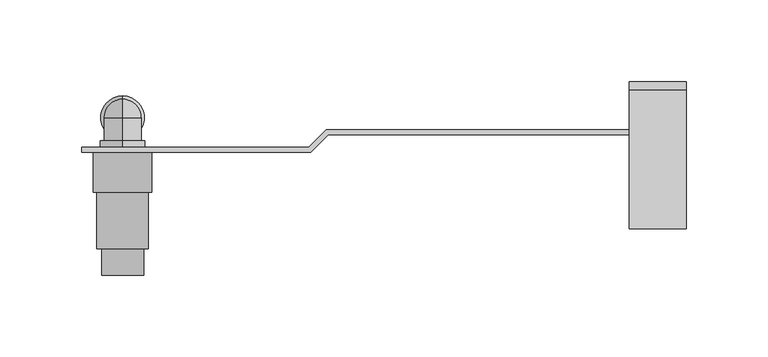
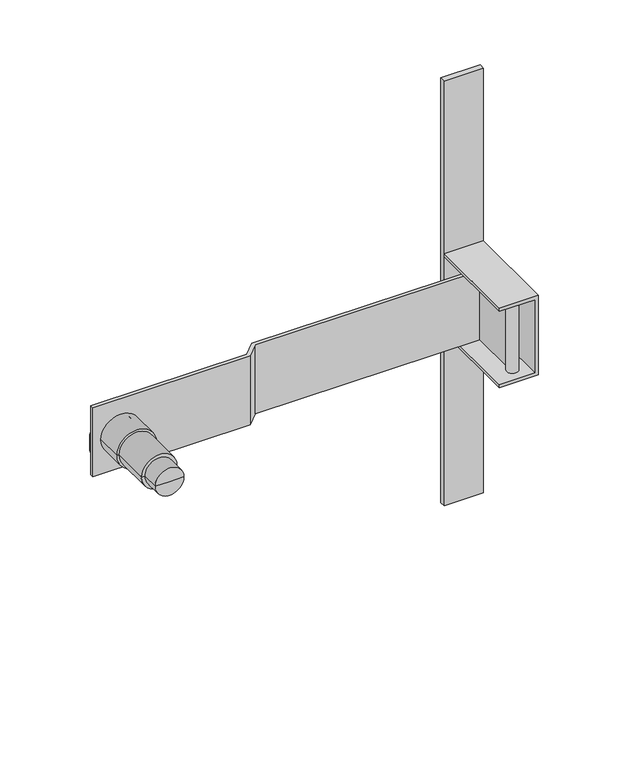
"""IFC4 building model written with IfcOpenShell, lengths in millimetres: proxy geometry."""

from ifc_helpers import new_model, si_unit, point, frame, frame_2d, origin, place, context, project, spatial, polyline, circle_curve, ellipse_curve, trimmed, segment, composite_curve, outline, extrude, source, transform, mapped, element, save
from ifc_brep_helpers import plane_surface, cylinder_surface, revolved_surface, advanced_brep


def building_element_proxy_a38c002e(model_context):
    return source(origin(), model_context, "Body", "SolidModel", [
        advanced_brep(
        [(-327.5, -10.7, 0.0), (-327.5, -22.0, 11.3), (-327.5, -22.0, -11.3), (-327.5, -36.0, 11.3), (-327.5, -36.0, -11.3), (-327.5, -36.0, 13.8), (-327.5, -36.0, -13.8), (-327.5, -40.0, 13.8), (-327.5, -40.0, -13.8), (-327.5, -40.0, 11.3), (-327.5, -40.0, -11.3), (-327.5, -66.9746503, 11.3), (-327.5, -66.9746503, -11.3), (-327.5, -66.9746503, 0.0)],
        [
            (0, 1, circle_curve(frame((-327.5, -22.0, 0.0), z_axis=(1.0, 0.0, 0.0), x_axis=(0.0, 0.0, 1.0)), 11.3)),
            (1, 2, circle_curve(frame((-327.5, -22.0, 0.0), z_axis=(0.0, 1.0, 0.0), x_axis=(0.0, 0.0, 1.0)), 11.3)),
            (2, 0, circle_curve(frame((-327.5, -22.0, 0.0), z_axis=(1.0, 0.0, 0.0), x_axis=(0.0, 0.0, -1.0)), 11.3)),
            (2, 1, circle_curve(frame((-327.5, -22.0, 0.0), z_axis=(0.0, 1.0, 0.0), x_axis=(0.0, 0.0, 1.0)), 11.3)),
            (1, 3),
            (3, 4, circle_curve(frame((-327.5, -36.0, 0.0), z_axis=(0.0, 1.0, 0.0), x_axis=(0.0, 0.0, 1.0)), 11.3)),
            (4, 2),
            (4, 3, circle_curve(frame((-327.5, -36.0, 0.0), z_axis=(0.0, 1.0, 0.0), x_axis=(0.0, 0.0, 1.0)), 11.3)),
            (3, 5),
            (5, 6, circle_curve(frame((-327.5, -36.0, 0.0), z_axis=(0.0, 1.0, 0.0), x_axis=(0.0, 0.0, 1.0)), 13.8)),
            (6, 4),
            (6, 5, circle_curve(frame((-327.5, -36.0, 0.0), z_axis=(0.0, 1.0, 0.0), x_axis=(0.0, 0.0, 1.0)), 13.8)),
            (5, 7),
            (7, 8, circle_curve(frame((-327.5, -40.0, 0.0), z_axis=(0.0, 1.0, 0.0), x_axis=(0.0, 0.0, 1.0)), 13.8)),
            (8, 6),
            (8, 7, circle_curve(frame((-327.5, -40.0, 0.0), z_axis=(0.0, 1.0, 0.0), x_axis=(0.0, 0.0, 1.0)), 13.8)),
            (7, 9),
            (9, 10, circle_curve(frame((-327.5, -40.0, 0.0), z_axis=(0.0, 1.0, 0.0), x_axis=(0.0, 0.0, 1.0)), 11.3)),
            (10, 8),
            (10, 9, circle_curve(frame((-327.5, -40.0, 0.0), z_axis=(0.0, 1.0, 0.0), x_axis=(0.0, 0.0, 1.0)), 11.3)),
            (9, 11),
            (11, 12, circle_curve(frame((-327.5, -66.9746503, 0.0), z_axis=(0.0, 1.0, 0.0), x_axis=(0.0, 0.0, 1.0)), 11.3)),
            (12, 10),
            (12, 11, circle_curve(frame((-327.5, -66.9746503, 0.0), z_axis=(0.0, 1.0, 0.0), x_axis=(0.0, 0.0, 1.0)), 11.3)),
            (11, 13),
            (13, 12),
        ],
        [
            revolved_surface(trimmed(ellipse_curve(frame((-327.5, -22.0, 0.0), z_axis=(-1.0, 0.0, 0.0), x_axis=(0.0, 0.0, 1.0)), 11.3, 11.3), [point((-327.5, -22.0, 11.3))], [point((-327.5, -10.7, 0.0))], True, "CARTESIAN"), (-327.5, -6.8139142, 0.0), (0.0, 1.0, 0.0)),
            cylinder_surface(frame((-327.5, -6.8139142, 0.0), z_axis=(0.0, 1.0, 0.0), x_axis=(0.0, 0.0, 1.0)), 11.3),
            plane_surface(frame((-327.5, -36.0, 0.0), z_axis=(0.0, 1.0, 0.0), x_axis=(0.0, 0.0, 1.0))),
            cylinder_surface(frame((-327.5, -6.8139142, 0.0), z_axis=(0.0, 1.0, 0.0), x_axis=(0.0, 0.0, 1.0)), 13.8),
            plane_surface(frame((-327.5, -40.0, 0.0), z_axis=(0.0, -1.0, 0.0), x_axis=(0.0, 0.0, 1.0))),
            plane_surface(frame((-327.5, -66.9746503, 0.0), z_axis=(0.0, -1.0, 0.0), x_axis=(0.0, 0.0, 1.0))),
        ],
        [
            (0, [[1, 2, 3]]),
            (0, [[-3, 4, -1]]),
            (1, [[-2, 5, 6, 7]]),
            (1, [[-4, -7, 8, -5]]),
            (2, [[-6, 9, 10, 11]]),
            (2, [[-8, -11, 12, -9]]),
            (3, [[-10, 13, 14, 15]]),
            (3, [[-12, -15, 16, -13]]),
            (4, [[-14, 17, 18, 19]]),
            (4, [[-16, -19, 20, -17]]),
            (1, [[-18, 21, 22, 23]]),
            (1, [[-20, -23, 24, -21]]),
            (5, [[-22, 25, 26]]),
            (5, [[-24, -26, -25]]),
        ],
    ),
        advanced_brep(
        [(-345.35, -43.0, 0.0), (-309.65, -43.0, 0.0), (-309.65, -67.5, 0.0), (-345.35, -67.5, 0.0), (-311.65, -67.5, 0.0), (-343.35, -67.5, 0.0), (-311.65, -102.3, 0.0), (-343.35, -102.3, 0.0), (-314.65, -102.3, 0.0), (-340.35, -102.3, 0.0), (-314.65, -118.3, 0.0), (-340.35, -118.3, 0.0), (-327.5, -118.3, 0.0), (-327.5, -43.0, 0.0)],
        [
            (0, 1, circle_curve(frame((-327.5, -43.0, 0.0), z_axis=(0.0, -1.0, 0.0), x_axis=(1.0, 0.0, 0.0)), 17.85)),
            (1, 2),
            (2, 3, circle_curve(frame((-327.5, -67.5, 0.0), z_axis=(0.0, 1.0, 0.0), x_axis=(1.0, 0.0, 0.0)), 17.85)),
            (3, 0),
            (1, 0, circle_curve(frame((-327.5, -43.0, 0.0), z_axis=(0.0, -1.0, 0.0), x_axis=(1.0, 0.0, 0.0)), 17.85)),
            (3, 2, circle_curve(frame((-327.5, -67.5, 0.0), z_axis=(0.0, 1.0, 0.0), x_axis=(1.0, 0.0, 0.0)), 17.85)),
            (2, 4),
            (4, 5, circle_curve(frame((-327.5, -67.5, 0.0), z_axis=(0.0, 1.0, 0.0), x_axis=(1.0, 0.0, 0.0)), 15.85)),
            (5, 3),
            (5, 4, circle_curve(frame((-327.5, -67.5, 0.0), z_axis=(0.0, 1.0, 0.0), x_axis=(1.0, 0.0, 0.0)), 15.85)),
            (4, 6),
            (6, 7, circle_curve(frame((-327.5, -102.3, 0.0), z_axis=(0.0, 1.0, 0.0), x_axis=(1.0, 0.0, 0.0)), 15.85)),
            (7, 5),
            (7, 6, circle_curve(frame((-327.5, -102.3, 0.0), z_axis=(0.0, 1.0, 0.0), x_axis=(1.0, 0.0, 0.0)), 15.85)),
            (6, 8),
            (8, 9, circle_curve(frame((-327.5, -102.3, 0.0), z_axis=(0.0, 1.0, 0.0), x_axis=(1.0, 0.0, 0.0)), 12.85)),
            (9, 7),
            (9, 8, circle_curve(frame((-327.5, -102.3, 0.0), z_axis=(0.0, 1.0, 0.0), x_axis=(1.0, 0.0, 0.0)), 12.85)),
            (8, 10),
            (10, 11, circle_curve(frame((-327.5, -118.3, 0.0), z_axis=(0.0, 1.0, 0.0), x_axis=(1.0, 0.0, 0.0)), 12.85)),
            (11, 9),
            (11, 10, circle_curve(frame((-327.5, -118.3, 0.0), z_axis=(0.0, 1.0, 0.0), x_axis=(1.0, 0.0, 0.0)), 12.85)),
            (10, 12),
            (12, 11),
            (13, 1),
            (0, 13),
        ],
        [
            cylinder_surface(frame((-327.5, -143.0, 0.0), z_axis=(0.0, 1.0, 0.0), x_axis=(1.0, 0.0, 0.0)), 17.85),
            plane_surface(frame((-327.5, -67.5, 0.0), z_axis=(0.0, -1.0, 0.0), x_axis=(1.0, 0.0, 0.0))),
            cylinder_surface(frame((-327.5, -143.0, 0.0), z_axis=(0.0, 1.0, 0.0), x_axis=(1.0, 0.0, 0.0)), 15.85),
            plane_surface(frame((-327.5, -102.3, 0.0), z_axis=(0.0, -1.0, 0.0), x_axis=(1.0, 0.0, 0.0))),
            cylinder_surface(frame((-327.5, -143.0, 0.0), z_axis=(0.0, 1.0, 0.0), x_axis=(1.0, 0.0, 0.0)), 12.85),
            plane_surface(frame((-327.5, -118.3, 0.0), z_axis=(0.0, -1.0, 0.0), x_axis=(1.0, 0.0, 0.0))),
            plane_surface(frame((-327.5, -43.0, 0.0), z_axis=(0.0, 1.0, 0.0), x_axis=(1.0, 0.0, 0.0))),
        ],
        [
            (0, [[1, 2, 3, 4]]),
            (0, [[5, -4, 6, -2]]),
            (1, [[-3, 7, 8, 9]]),
            (1, [[-6, -9, 10, -7]]),
            (2, [[-8, 11, 12, 13]]),
            (2, [[-10, -13, 14, -11]]),
            (3, [[-12, 15, 16, 17]]),
            (3, [[-14, -17, 18, -15]]),
            (4, [[-16, 19, 20, 21]]),
            (4, [[-18, -21, 22, -19]]),
            (5, [[-20, 23, 24]]),
            (5, [[-22, -24, -23]]),
            (6, [[25, -1, 26]]),
            (6, [[-26, -5, -25]]),
        ],
    ),
        extrude(outline(composite_curve([segment(trimmed(circle_curve(frame_2d((0.0, -80.0)), 5.0), [point((1.5, -75.230304))], [point((-1.5, -75.230304))], False, "CARTESIAN"), True, "CONTINUOUS"), segment(polyline([(-1.5, -75.230304), (-1.5, -32.3933983), (-201.6507576, -32.3933983), (-212.2573593, -43.0), (-352.5, -43.0), (-352.5, -40.0), (-213.5, -40.0), (-202.8933983, -29.3933983), (1.5, -29.3933983), (1.5, -75.230304)]), True, "CONTINUOUS")], self_intersect=False)), frame((0.0, 0.0, -32.5), z_axis=(0.0, 0.0, 1.0), x_axis=(1.0, 0.0, 0.0)), (0.0, 0.0, 1.0), 65.0),
        extrude(outline(polyline([(37.5, 17.5), (37.5, -17.5), (34.5, -17.5), (34.5, 14.5), (-34.5, 14.5), (-34.5, -17.5), (-37.5, -17.5), (-37.5, 17.5), (37.5, 17.5)])), frame((0.0, -90.0, 0.0), z_axis=(0.0, 1.0, 0.0), x_axis=(0.0, 0.0, 1.0)), (0.0, 0.0, 1.0), 85.0),
        extrude(outline(polyline([(17.5, -5.0), (-17.5, -5.0), (-17.5, 0.0), (17.5, 0.0), (17.5, -5.0)])), frame((0.0, 0.0, -200.0), z_axis=(0.0, 0.0, 1.0), x_axis=(1.0, 0.0, 0.0)), (0.0, 0.0, 1.0), 400.0),
        advanced_brep(
        [(-327.5, -22.0, -30.07), (-327.5, -11.0, -30.07), (-327.5, -33.0, -30.07), (-327.5, -8.7, -29.07), (-327.5, -35.3, -29.07), (-327.5, -8.7, -14.23), (-327.5, -35.3, -14.23), (-327.5, -11.0, -11.93), (-327.5, -33.0, -11.93), (-327.5, -11.0, 0.0), (-327.5, -33.0, 0.0), (-327.5, -22.0, 11.296017)],
        [
            (0, 1),
            (1, 2, circle_curve(frame((-327.5, -22.0, -30.07), z_axis=(0.0, 0.0, -1.0), x_axis=(0.0, 1.0, 0.0)), 11.0)),
            (2, 0),
            (2, 1, circle_curve(frame((-327.5, -22.0, -30.07), z_axis=(0.0, 0.0, -1.0), x_axis=(0.0, 1.0, 0.0)), 11.0)),
            (1, 3),
            (3, 4, circle_curve(frame((-327.5, -22.0, -29.07), z_axis=(0.0, 0.0, -1.0), x_axis=(0.0, 1.0, 0.0)), 13.3)),
            (4, 2),
            (4, 3, circle_curve(frame((-327.5, -22.0, -29.07), z_axis=(0.0, 0.0, -1.0), x_axis=(0.0, 1.0, 0.0)), 13.3)),
            (3, 5),
            (5, 6, circle_curve(frame((-327.5, -22.0, -14.23), z_axis=(0.0, 0.0, -1.0), x_axis=(0.0, 1.0, 0.0)), 13.3)),
            (6, 4),
            (6, 5, circle_curve(frame((-327.5, -22.0, -14.23), z_axis=(0.0, 0.0, -1.0), x_axis=(0.0, 1.0, 0.0)), 13.3)),
            (5, 7),
            (7, 8, circle_curve(frame((-327.5, -22.0, -11.93), z_axis=(0.0, 0.0, -1.0), x_axis=(0.0, 1.0, 0.0)), 11.0)),
            (8, 6),
            (8, 7, circle_curve(frame((-327.5, -22.0, -11.93), z_axis=(0.0, 0.0, -1.0), x_axis=(0.0, 1.0, 0.0)), 11.0)),
            (7, 9),
            (9, 10, circle_curve(frame((-327.5, -22.0, 0.0), z_axis=(0.0, 0.0, -1.0), x_axis=(0.0, 1.0, 0.0)), 11.0)),
            (10, 8),
            (10, 9, circle_curve(frame((-327.5, -22.0, 0.0), z_axis=(0.0, 0.0, -1.0), x_axis=(0.0, 1.0, 0.0)), 11.0)),
            (9, 11, circle_curve(frame((-327.5, -22.3, 0.0), z_axis=(1.0, 0.0, 0.0), x_axis=(0.0, 0.0, 1.0)), 11.3)),
            (11, 10, circle_curve(frame((-327.5, -21.7, 0.0), z_axis=(1.0, 0.0, 0.0), x_axis=(0.0, 0.0, 1.0)), 11.3)),
        ],
        [
            plane_surface(frame((-327.5, -22.0, -30.07), z_axis=(0.0, 0.0, -1.0), x_axis=(0.0, 1.0, 0.0))),
            revolved_surface(polyline([(-327.5, -8.7, -29.07), (-327.5, -11.0, -30.07)]), (-327.5, -22.0, -34.8526087), (0.0, 0.0, -1.0)),
            cylinder_surface(frame((-327.5, -22.0, -34.8526087), z_axis=(0.0, 0.0, -1.0), x_axis=(0.0, 1.0, 0.0)), 13.3),
            revolved_surface(polyline([(-327.5, -11.0, -11.93), (-327.5, -8.7, -14.23)]), (-327.5, -22.0, -34.8526087), (0.0, 0.0, -1.0)),
            cylinder_surface(frame((-327.5, -22.0, -34.8526087), z_axis=(0.0, 0.0, -1.0), x_axis=(0.0, 1.0, 0.0)), 11.0),
            revolved_surface(trimmed(ellipse_curve(frame((-327.5, -22.3, 0.0), z_axis=(-1.0, 0.0, 0.0), x_axis=(0.0, 0.0, 1.0)), 11.3, 11.3), [point((-327.5, -22.0, 11.296017))], [point((-327.5, -11.0, 0.0))], True, "CARTESIAN"), (-327.5, -22.0, -34.8526087), (0.0, 0.0, -1.0)),
        ],
        [
            (0, [[1, 2, 3]]),
            (0, [[-3, 4, -1]]),
            (1, [[-2, 5, 6, 7]]),
            (1, [[-4, -7, 8, -5]]),
            (2, [[-6, 9, 10, 11]]),
            (2, [[-8, -11, 12, -9]]),
            (3, [[-10, 13, 14, 15]]),
            (3, [[-12, -15, 16, -13]]),
            (4, [[-14, 17, 18, 19]]),
            (4, [[-16, -19, 20, -17]]),
            (5, [[-18, 21, 22]]),
            (5, [[-20, -22, -21]]),
        ],
    ),
    ])


if __name__ == "__main__":
    model = new_model("IFC4")
    model_context = context("Model", 3, world=origin())
    ifc_project = project(units=[si_unit("LENGTHUNIT", "METRE", prefix="MILLI")], contexts=[model_context])
    site = spatial("IfcSite", under=ifc_project)
    building = spatial("IfcBuilding", under=site)
    placement = place(None, origin())
    building_element_proxy_shape = building_element_proxy_a38c002e(model_context)
    element("IfcBuildingElementProxy", 1, Name="Building Element Proxy", at=placement, inside=building, context=model_context, shape_type="MappedRepresentation", body=[
        mapped(building_element_proxy_shape, transform((0.0, 0.0, 0.0), x_axis=(1.0, 0.0, 0.0), y_axis=(0.0, 1.0, 0.0), z_axis=(0.0, 0.0, 1.0))),
    ])
    save(model, "model.ifc")
